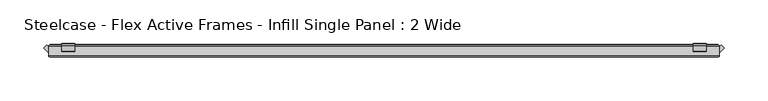
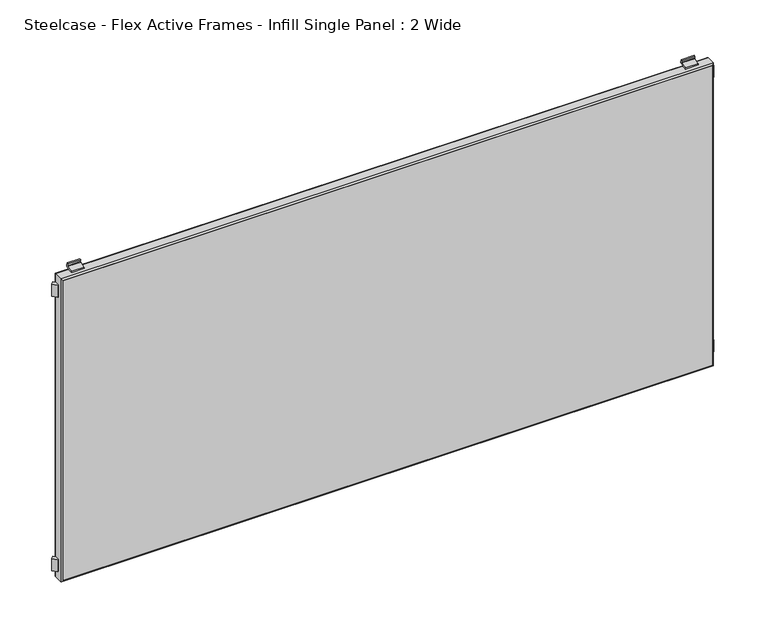
"""IFC4 building model written with IfcOpenShell, lengths in millimetres: furniture geometry, Steelcase - Flex Active Frames - Infill Single Panel : 2 Wide."""

from ifc_helpers import new_model, si_unit, point, frame, frame_2d, origin, place, context, project, spatial, polyline, circle_curve, ellipse_curve, trimmed, segment, composite_curve, outline, extrude, source, transform, mapped, element, save
from ifc_brep_helpers import plane_surface, cylinder_surface, advanced_brep


def steelcase_flex_active_frames_infill_single_panel_2_wide_fd742a2b(model_context):
    return source(origin(), model_context, "Body", "SolidModel", [
        extrude(outline(composite_curve([segment(polyline([(-5.9111802, 381.5885542), (-7.999907, 381.5885542)]), True, "CONTINUOUS"), segment(trimmed(circle_curve(frame_2d((-6.994052, 381.7229562)), 1.0147947), [point((-7.999907, 381.5885542))], [point((-7.3392807, 382.6772232))], False, "CARTESIAN"), True, "CONTINUOUS"), segment(polyline([(-7.3392807, 382.6772232), (-0.8009038, 385.0426363)]), True, "CONTINUOUS"), segment(trimmed(circle_curve(frame_2d((-1.0061566, 385.6099875)), 0.6033374), [point((-0.8009038, 385.0426363))], [point((-0.4119794, 385.7147232))], True, "CARTESIAN"), True, "CONTINUOUS"), segment(polyline([(-0.4119794, 385.7147232), (-0.7999207, 387.9155571), (0.6936424, 388.1772262), (1.2842404, 384.7316172)]), True, "CONTINUOUS"), segment(trimmed(circle_curve(frame_2d((0.6921967, 384.6301374)), 0.6006779), [point((1.2842404, 384.7316172))], [point((0.8975617, 384.065656))], False, "CARTESIAN"), True, "CONTINUOUS"), segment(polyline([(0.8975617, 384.065656), (-5.9111802, 381.5885542)]), True, "CONTINUOUS")], self_intersect=False)), frame((734.5162997, 0.0, 0.0), z_axis=(1.0, 0.0, 0.0), x_axis=(0.0, 1.0, 0.0)), (0.0, 0.0, 1.0), 15.0034447),
        extrude(outline(composite_curve([segment(polyline([(-5.9110829, 6.5887186), (0.8825145, 4.1171655)]), True, "CONTINUOUS"), segment(trimmed(circle_curve(frame_2d((0.6705511, 3.5345385)), 0.6199861), [point((0.8825145, 4.1171655))], [point((1.2816187, 3.4297567))], False, "CARTESIAN"), True, "CONTINUOUS"), segment(polyline([(1.2816187, 3.4297567), (0.6935028, -2.35e-05), (-0.7999445, 0.2616253), (-0.4077045, 2.4868687)]), True, "CONTINUOUS"), segment(trimmed(circle_curve(frame_2d((-0.9730442, 2.5865202)), 0.5740553), [point((-0.4077045, 2.4868687))], [point((-0.7777558, 3.1263368))], True, "CARTESIAN"), True, "CONTINUOUS"), segment(polyline([(-0.7777558, 3.1263368), (-7.3392807, 5.5000882)]), True, "CONTINUOUS"), segment(trimmed(circle_curve(frame_2d((-6.9941469, 6.4541073)), 1.0145294), [point((-7.3392807, 5.5000882))], [point((-7.9997063, 6.5887186))], False, "CARTESIAN"), True, "CONTINUOUS"), segment(polyline([(-7.9997063, 6.5887186), (-5.9110829, 6.5887186)]), True, "CONTINUOUS")], self_intersect=False)), frame((734.5162997, 0.0, 0.0), z_axis=(1.0, 0.0, 0.0), x_axis=(0.0, 1.0, 0.0)), (0.0, 0.0, 1.0), 15.0034447),
        extrude(outline(composite_curve([segment(polyline([(-5.9111802, 381.5885542), (-7.999907, 381.5885542)]), True, "CONTINUOUS"), segment(trimmed(circle_curve(frame_2d((-6.994052, 381.7229562)), 1.0147947), [point((-7.999907, 381.5885542))], [point((-7.3392807, 382.6772232))], False, "CARTESIAN"), True, "CONTINUOUS"), segment(polyline([(-7.3392807, 382.6772232), (-0.8009038, 385.0426363)]), True, "CONTINUOUS"), segment(trimmed(circle_curve(frame_2d((-1.0061566, 385.6099875)), 0.6033374), [point((-0.8009038, 385.0426363))], [point((-0.4119794, 385.7147232))], True, "CARTESIAN"), True, "CONTINUOUS"), segment(polyline([(-0.4119794, 385.7147232), (-0.7999207, 387.9155571), (0.6936424, 388.1772262), (1.2842404, 384.7316172)]), True, "CONTINUOUS"), segment(trimmed(circle_curve(frame_2d((0.6921967, 384.6301374)), 0.6006779), [point((1.2842404, 384.7316172))], [point((0.8975617, 384.065656))], False, "CARTESIAN"), True, "CONTINUOUS"), segment(polyline([(0.8975617, 384.065656), (-5.9111802, 381.5885542)]), True, "CONTINUOUS")], self_intersect=False)), frame((15.0199771, 0.0, 0.0), z_axis=(1.0, 0.0, 0.0), x_axis=(0.0, 1.0, 0.0)), (0.0, 0.0, 1.0), 15.0034326),
        extrude(outline(composite_curve([segment(polyline([(-5.9110829, 6.5887186), (0.8825145, 4.1171655)]), True, "CONTINUOUS"), segment(trimmed(circle_curve(frame_2d((0.6705511, 3.5345385)), 0.6199861), [point((0.8825145, 4.1171655))], [point((1.2816187, 3.4297567))], False, "CARTESIAN"), True, "CONTINUOUS"), segment(polyline([(1.2816187, 3.4297567), (0.6935028, -2.35e-05), (-0.7999445, 0.2616253), (-0.4077045, 2.4868687)]), True, "CONTINUOUS"), segment(trimmed(circle_curve(frame_2d((-0.9730442, 2.5865202)), 0.5740553), [point((-0.4077045, 2.4868687))], [point((-0.7777558, 3.1263368))], True, "CARTESIAN"), True, "CONTINUOUS"), segment(polyline([(-0.7777558, 3.1263368), (-7.3392807, 5.5000882)]), True, "CONTINUOUS"), segment(trimmed(circle_curve(frame_2d((-6.9941469, 6.4541073)), 1.0145294), [point((-7.3392807, 5.5000882))], [point((-7.9997063, 6.5887186))], False, "CARTESIAN"), True, "CONTINUOUS"), segment(polyline([(-7.9997063, 6.5887186), (-5.9110829, 6.5887186)]), True, "CONTINUOUS")], self_intersect=False)), frame((15.0199771, 0.0, 0.0), z_axis=(1.0, 0.0, 0.0), x_axis=(0.0, 1.0, 0.0)), (0.0, 0.0, 1.0), 15.0034326),
        extrude(outline(polyline([(764.54, -2.5030965), (766.7436446, -0.3282745), (769.9843382, -3.5722626), (765.5774367, -7.9998993), (764.54, -7.9998993), (764.54, -2.5030965)])), frame((0.0, 0.0, 16.6556237), z_axis=(0.0, 0.0, 1.0), x_axis=(1.0, 0.0, 0.0)), (0.0, 0.0, 1.0), 14.9643454),
        extrude(outline(polyline([(0.0, -7.9997055), (-1.0377395, -7.9997055), (-5.4446047, -3.5720566), (-2.2038989, -0.3280807), (0.0, -2.5031537), (0.0, -7.9997055)])), frame((0.0, 0.0, 16.6556237), z_axis=(0.0, 0.0, 1.0), x_axis=(1.0, 0.0, 0.0)), (0.0, 0.0, 1.0), 14.9643454),
        extrude(outline(polyline([(764.54, -2.5030965), (766.7436446, -0.3282745), (769.9843382, -3.5722626), (765.5774367, -7.9998993), (764.54, -7.9998993), (764.54, -2.5030965)])), frame((0.0, 0.0, 356.5573544), z_axis=(0.0, 0.0, 1.0), x_axis=(1.0, 0.0, 0.0)), (0.0, 0.0, 1.0), 14.9650265),
        extrude(outline(polyline([(0.0, -7.9997055), (-1.0377395, -7.9997055), (-5.4446047, -3.5720566), (-2.2038989, -0.3280807), (0.0, -2.5031537), (0.0, -7.9997055)])), frame((0.0, 0.0, 356.5573544), z_axis=(0.0, 0.0, 1.0), x_axis=(1.0, 0.0, 0.0)), (0.0, 0.0, 1.0), 14.9650265),
        extrude(outline(polyline([(762.6075623, -13.9997269), (1.9324377, -13.9997269), (1.9324377, 0.0), (762.6075623, 0.0), (762.6075623, -13.9997269)])), frame((0.0, 0.0, 8.5211562), z_axis=(0.0, 0.0, 1.0), x_axis=(1.0, 0.0, 0.0)), (0.0, 0.0, 1.0), 371.1349603),
        advanced_brep(
        [(0.0, -12.0672892, 381.5885542), (0.0, -1.9324377, 381.5885542), (0.0, -1.9324377, 6.5887186), (0.0, -12.0672892, 6.5887186), (1.9324377, 0.0, 379.6561165), (1.9324377, -13.9997269, 379.6561165), (1.9324377, -13.9997269, 8.5211562), (1.9324377, 0.0, 8.5211562), (764.54, -1.9324377, 6.5887186), (764.54, -12.0672892, 6.5887186), (762.6075623, -13.9997269, 8.5211562), (762.6075623, 0.0, 8.5211562), (764.54, -1.9324377, 381.5885542), (764.54, -12.0672892, 381.5885542), (762.6075623, -13.9997269, 379.6561165), (762.6075623, 0.0, 379.6561165)],
        [
            (0, 1),
            (1, 2),
            (2, 3),
            (3, 0),
            (4, 5),
            (5, 6),
            (6, 7),
            (7, 4),
            (2, 8),
            (8, 9),
            (9, 3),
            (6, 10),
            (10, 11),
            (11, 7),
            (8, 12),
            (12, 13),
            (13, 9),
            (10, 14),
            (14, 15),
            (15, 11),
            (12, 1),
            (0, 13),
            (14, 5),
            (4, 15),
            (1, 4, ellipse_curve(frame((1.9324377, -1.9324377, 379.6561165), z_axis=(-0.7071067811865475, 0.0, -0.7071067811865475), x_axis=(-0.7071067811865474, 0.0, 0.7071067811865476)), 2.7328796, 1.9324377)),
            (7, 2, ellipse_curve(frame((1.9324377, -1.9324377, 8.5211562), z_axis=(-0.7071067811865475, 0.0, 0.7071067811865475), x_axis=(0.7071067811865474, 0.0, 0.7071067811865476)), 2.7328796, 1.9324377)),
            (5, 0, ellipse_curve(frame((1.9324377, -12.0672892, 379.6561165), z_axis=(-0.7071067811865475, 0.0, -0.7071067811865475), x_axis=(-0.7071067811865474, 0.0, 0.7071067811865476)), 2.7328796, 1.9324377)),
            (3, 6, ellipse_curve(frame((1.9324377, -12.0672892, 8.5211562), z_axis=(-0.7071067811865475, 0.0, 0.7071067811865475), x_axis=(0.7071067811865474, 0.0, 0.7071067811865476)), 2.7328796, 1.9324377)),
            (11, 8, ellipse_curve(frame((762.6075623, -1.9324377, 8.5211562), z_axis=(-0.7071067811865475, 0.0, -0.7071067811865475), x_axis=(-0.7071067811865476, 0.0, 0.7071067811865474)), 2.7328796, 1.9324377)),
            (9, 10, ellipse_curve(frame((762.6075623, -12.0672892, 8.5211562), z_axis=(-0.7071067811865475, 0.0, -0.7071067811865475), x_axis=(-0.7071067811865476, 0.0, 0.7071067811865474)), 2.7328796, 1.9324377)),
            (15, 12, ellipse_curve(frame((762.6075623, -1.9324377, 379.6561165), z_axis=(0.7071067811865475, 0.0, -0.7071067811865475), x_axis=(-0.7071067811865474, 0.0, -0.7071067811865476)), 2.7328796, 1.9324377)),
            (13, 14, ellipse_curve(frame((762.6075623, -12.0672892, 379.6561165), z_axis=(0.7071067811865475, 0.0, -0.7071067811865475), x_axis=(-0.7071067811865474, 0.0, -0.7071067811865476)), 2.7328796, 1.9324377)),
        ],
        [
            plane_surface(frame((0.0, -1.9324377, 381.5885542), z_axis=(-1.0, 0.0, 0.0), x_axis=(0.0, 0.0, -1.0))),
            plane_surface(frame((1.9324377, -13.9997269, 379.6561165), z_axis=(1.0, 0.0, 0.0), x_axis=(0.0, 0.0, -1.0))),
            plane_surface(frame((0.0, -1.9324377, 6.5887186), z_axis=(0.0, 0.0, -1.0), x_axis=(1.0, 0.0, 0.0))),
            plane_surface(frame((1.9324377, -13.9997269, 8.5211562), z_axis=(0.0, 0.0, 1.0), x_axis=(1.0, 0.0, 0.0))),
            plane_surface(frame((764.54, -1.9324377, 6.5887186), z_axis=(1.0, 0.0, 0.0), x_axis=(0.0, 0.0, 1.0))),
            plane_surface(frame((762.6075623, -13.9997269, 8.5211562), z_axis=(-1.0, 0.0, 0.0), x_axis=(0.0, 0.0, 1.0))),
            plane_surface(frame((764.54, -1.9324377, 381.5885542), z_axis=(0.0, 0.0, 1.0), x_axis=(-1.0, 0.0, 0.0))),
            plane_surface(frame((762.6075623, -13.9997269, 379.6561165), z_axis=(0.0, 0.0, -1.0), x_axis=(-1.0, 0.0, 0.0))),
            cylinder_surface(frame((1.9324377, -1.9324377, 381.5885542), z_axis=(0.0, 0.0, 1.0), x_axis=(1.0, 0.0, 0.0)), 1.9324377),
            cylinder_surface(frame((1.9324377, -12.0672892, 381.5885542), z_axis=(0.0, 0.0, 1.0), x_axis=(1.0, 0.0, 0.0)), 1.9324377),
            cylinder_surface(frame((0.0, -1.9324377, 8.5211562), z_axis=(-1.0, 0.0, 0.0), x_axis=(0.0, 0.0, 1.0)), 1.9324377),
            cylinder_surface(frame((0.0, -12.0672892, 8.5211562), z_axis=(-1.0, 0.0, 0.0), x_axis=(0.0, 0.0, 1.0)), 1.9324377),
            cylinder_surface(frame((762.6075623, -1.9324377, 6.5887186), z_axis=(0.0, 0.0, -1.0), x_axis=(-1.0, 0.0, 0.0)), 1.9324377),
            cylinder_surface(frame((762.6075623, -12.0672892, 6.5887186), z_axis=(0.0, 0.0, -1.0), x_axis=(-1.0, 0.0, 0.0)), 1.9324377),
            cylinder_surface(frame((764.54, -1.9324377, 379.6561165), z_axis=(1.0, 0.0, 0.0), x_axis=(0.0, 0.0, -1.0)), 1.9324377),
            cylinder_surface(frame((764.54, -12.0672892, 379.6561165), z_axis=(1.0, 0.0, 0.0), x_axis=(0.0, 0.0, -1.0)), 1.9324377),
        ],
        [
            (0, [[1, 2, 3, 4]]),
            (1, [[5, 6, 7, 8]]),
            (2, [[-3, 9, 10, 11]]),
            (3, [[-7, 12, 13, 14]]),
            (4, [[-10, 15, 16, 17]]),
            (5, [[-13, 18, 19, 20]]),
            (6, [[-16, 21, -1, 22]]),
            (7, [[-19, 23, -5, 24]]),
            (8, [[25, -8, 26, -2]]),
            (9, [[27, -4, 28, -6]]),
            (10, [[-26, -14, 29, -9]]),
            (11, [[-28, -11, 30, -12]]),
            (12, [[-29, -20, 31, -15]]),
            (13, [[-30, -17, 32, -18]]),
            (14, [[-31, -24, -25, -21]]),
            (15, [[-32, -22, -27, -23]]),
        ],
    ),
    ])


if __name__ == "__main__":
    model = new_model("IFC4")
    model_context = context("Model", 3, world=origin())
    ifc_project = project(units=[si_unit("LENGTHUNIT", "METRE", prefix="MILLI")], contexts=[model_context])
    site = spatial("IfcSite", under=ifc_project)
    building = spatial("IfcBuilding", under=site)
    placement = place(None, origin())
    steelcase_flex_active_frames_infill_single_panel_2_wide_shape = steelcase_flex_active_frames_infill_single_panel_2_wide_fd742a2b(model_context)
    element("IfcFurniture", 1, ObjectType="Steelcase - Flex Active Frames - Infill Single Panel : 2 Wide", at=placement, inside=building, context=model_context, shape_type="MappedRepresentation", body=[
        mapped(steelcase_flex_active_frames_infill_single_panel_2_wide_shape, transform((0.0, 0.0, 0.0), x_axis=(1.0, 0.0, 0.0), y_axis=(0.0, 1.0, 0.0), z_axis=(0.0, 0.0, 1.0))),
    ])
    save(model, "model.ifc")
